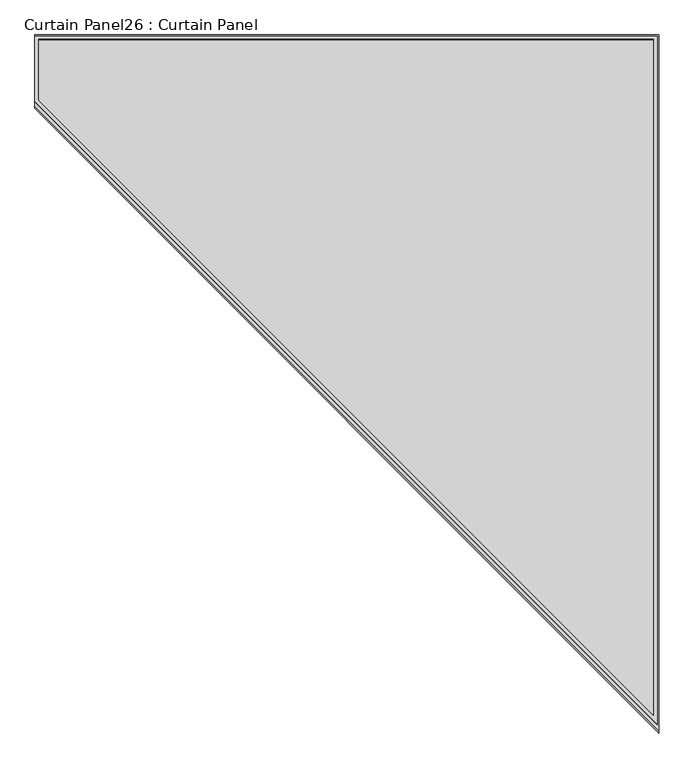
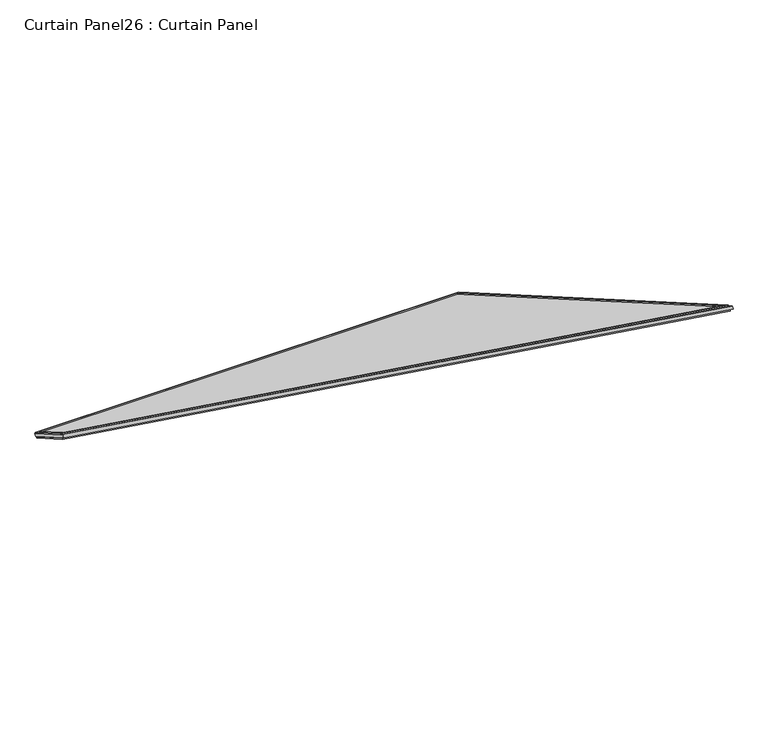
"""IFC4 building model written with IfcOpenShell, lengths in millimetres: plate geometry, Curtain Panel26 : Curtain Panel."""

from ifc_helpers import new_model, si_unit, frame, origin, place, context, project, spatial, polyline, outline, extrude, source, transform, mapped, element, save


def curtain_panel26_curtain_panel_470af5bd(model_context):
    return source(origin(), model_context, "Body", "SweptSolid", [
        extrude(outline(polyline([(2264.4846532, -11.1433642), (-29.8890187, -11.1433642), (2046.9986709, 1787.4941358), (2264.4846532, 1787.4941358), (2264.4846532, -11.1433642)]), holes=[polyline([(2253.341289, 1776.3507716), (2051.1531923, 1776.3507716), (0.0, 0.0), (2253.341289, 0.0), (2253.341289, 1776.3507716)])]), frame((13522.0063459, 12644.9987775, 2019.5184764), z_axis=(0.0, 0.49999999999999967, 0.8660254037844389), x_axis=(0.0, 0.8660254037844389, -0.49999999999999967)), (0.0, 0.0, 1.0), 4.8617188),
        extrude(outline(polyline([(2264.4846533, -11.1433642), (-29.8890187, -11.1433642), (2046.9986709, 1787.4941358), (2264.4846533, 1787.4941358), (2264.4846533, -11.1433642)]), holes=[polyline([(2253.3412891, 1776.3507716), (2051.1531923, 1776.3507716), (0.0, 0.0), (2253.3412891, 0.0), (2253.3412891, 1776.3507716)])]), frame((13522.0063459, 12653.789231, 2034.7439885), z_axis=(0.0, 0.4999999999999995, 0.8660254037844389), x_axis=(0.0, 0.8660254037844389, -0.4999999999999995)), (0.0, 0.0, 1.0), 4.8617188),
        extrude(outline(polyline([(12.7, 0.0), (1816.1, 0.0), (1816.1, -2320.0368914), (12.7, -237.6499405), (12.7, 0.0)])), frame((11721.8122101, 14613.9444764, 888.8671997), z_axis=(0.0, 0.49999999999999867, 0.8660254037844395), x_axis=(1.0, 0.0, 0.0)), (0.0, 0.0, 1.0), 12.9321645),
    ])


if __name__ == "__main__":
    model = new_model("IFC4")
    model_context = context("Model", 3, world=origin())
    ifc_project = project(units=[si_unit("LENGTHUNIT", "METRE", prefix="MILLI")], contexts=[model_context])
    site = spatial("IfcSite", under=ifc_project)
    building = spatial("IfcBuilding", under=site)
    placement = place(None, origin())
    curtain_panel26_curtain_panel_shape = curtain_panel26_curtain_panel_470af5bd(model_context)
    element("IfcPlate", 1, ObjectType="Curtain Panel26 : Curtain Panel", at=placement, inside=building, context=model_context, shape_type="MappedRepresentation", body=[
        mapped(curtain_panel26_curtain_panel_shape, transform((0.0, 0.0, 0.0), x_axis=(1.0, 0.0, 0.0), y_axis=(0.0, 1.0, 0.0), z_axis=(0.0, 0.0, 1.0))),
    ])
    save(model, "model.ifc")
